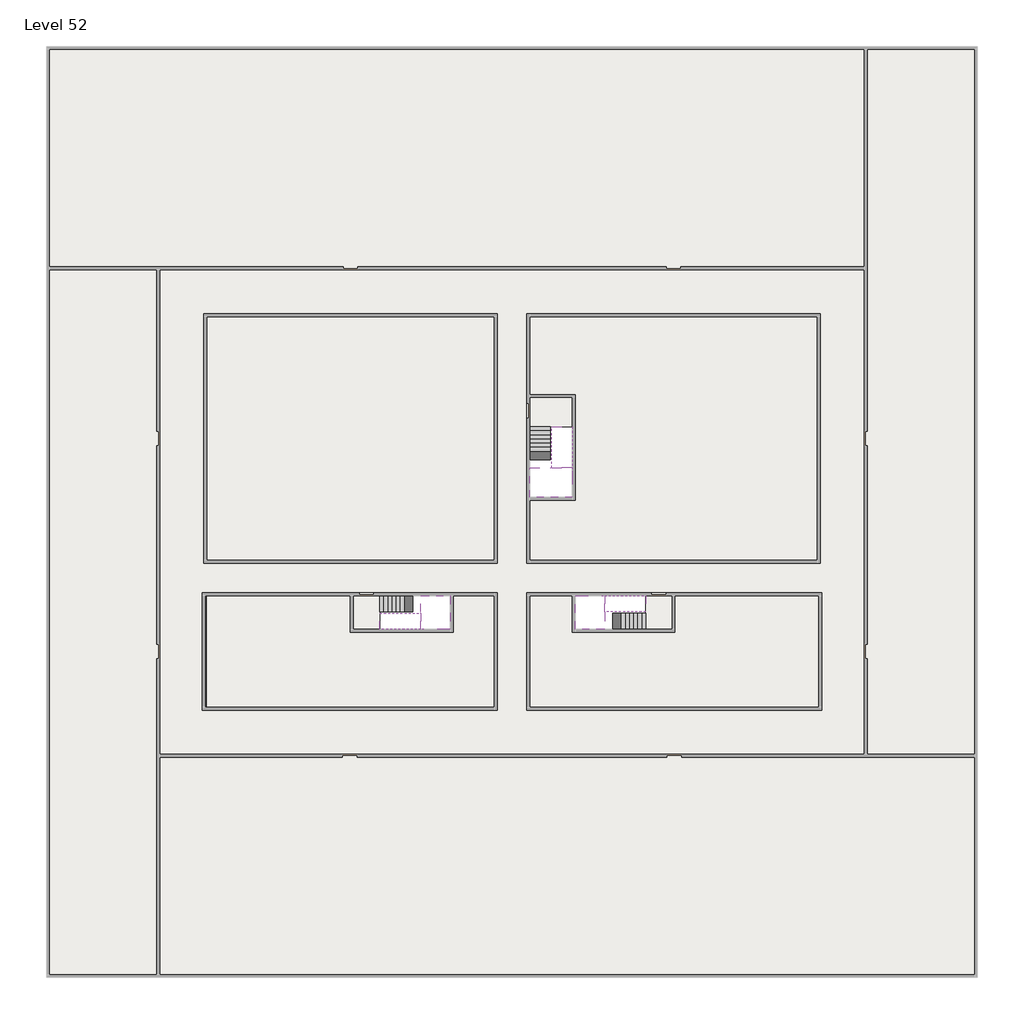
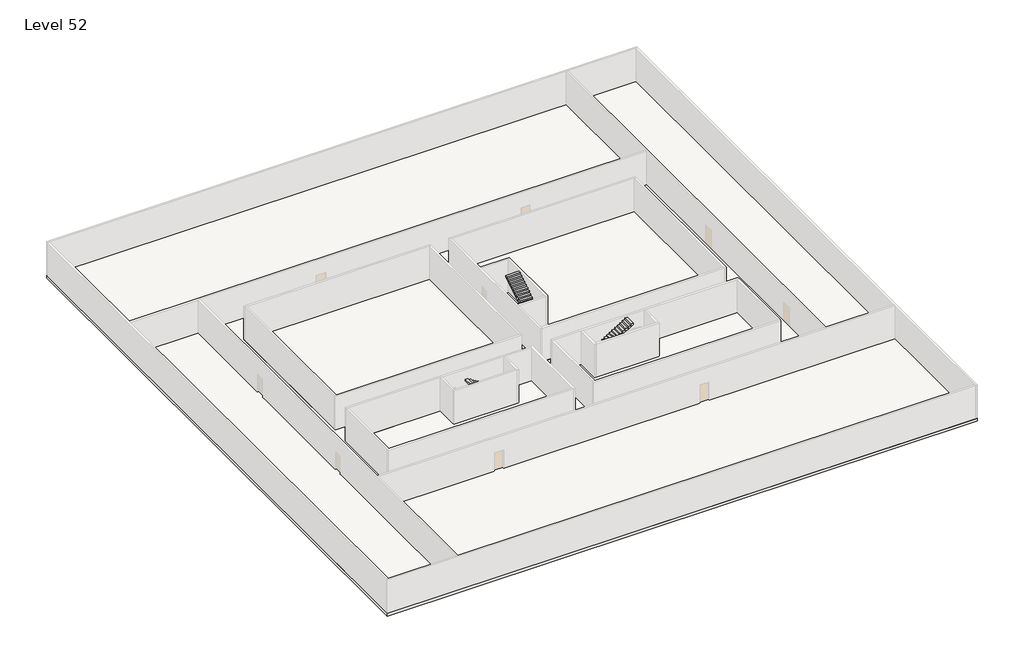
# One storey, part 2 of 2: 6 slabs, 6 stair flights.
"""IFC4 building model written with IfcOpenShell, lengths in millimetres."""

from ifc_helpers import new_model, si_unit, frame, origin, place, context, project, spatial, polyline, outline, extrude, faceted_brep, element, save

model = new_model("IFC4")

# Units and contexts
model_context = context("Model", 3, world=origin())
ifc_project = project(units=[si_unit("LENGTHUNIT", "METRE", prefix="MILLI")], contexts=[model_context])

# Site, building, storey
site = spatial("IfcSite", under=ifc_project)
building = spatial("IfcBuilding", under=site)
storey = spatial("IfcBuildingStorey", under=building, Name="Level 52", Elevation=193800.0)

# Slabs
placement = place(None, origin())
element("IfcSlab", 1, at=placement, inside=storey, context=model_context, shape_type="SweptSolid", body=[
    extrude(outline(polyline([(55890.1058784, -5518.09644), (55890.1058784, -68918.09644), (-7509.8941216, -68918.09644), (-7509.8941216, -5518.09644), (55890.1058784, -5518.09644)]), holes=[polyline([(23190.1058784, -23718.09644), (3190.1058784, -23718.09644), (3190.1058784, -40718.09644), (23190.1058784, -40718.09644), (23190.1058784, -23718.09644)]), polyline([(45190.1058784, -23718.09644), (25190.1058784, -23718.09644), (25190.1058784, -40718.09644), (45190.1058784, -40718.09644), (45190.1058784, -23718.09644)]), polyline([(23190.1058784, -50718.09644), (23190.1058784, -42718.09644), (3390.1058784, -42718.09644), (3390.1058784, -50718.09644), (23190.1058784, -50718.09644)]), polyline([(25190.1058784, -50718.09644), (45190.1058784, -50718.09644), (45190.1058784, -42718.09644), (25190.1058784, -42718.09644), (25190.1058784, -50718.09644)])]), frame((0.0, 0.0, 193500.0), z_axis=(0.0, 0.0, 1.0), x_axis=(1.0, 0.0, 0.0)), (0.0, 0.0, 1.0), 300.0),
])
element("IfcSlab", 2, at=placement, inside=storey, context=model_context, shape_type="Brep", body=[
    faceted_brep([(26790.1058784, -34218.09644, 195700.0), (25390.1058784, -34218.09644, 195700.0), (25390.1058784, -34297.4828763, 195700.0), (25390.1058784, -36218.09644, 195700.0), (28290.1058784, -36218.09644, 195700.0), (28290.1058784, -34418.7100038, 195700.0), (28290.1058784, -34218.09644, 195700.0), (26890.1058784, -34218.09644, 195700.0), (26790.1058784, -34218.09644, 195400.0), (26790.1058784, -34218.09644, 195351.0278478), (25390.1058784, -34218.09644, 195351.0278478), (25390.1058784, -34218.09644, 195527.2727273), (25390.1058784, -34297.4828763, 195400.0), (25390.1058784, -36218.09644, 195400.0), (28290.1058784, -36218.09644, 195400.0), (28290.1058784, -34418.7100038, 195400.0), (28290.1058784, -34218.09644, 195523.7551205), (26890.1058784, -34218.09644, 195523.7551205), (26890.1058784, -34218.09644, 195400.0), (26890.1058784, -34418.7100038, 195400.0), (26790.1058784, -34297.4828763, 195400.0)], [[[0, 1, 2, 3, 4, 5, 6, 7]], [[1, 0, 8, 9, 10, 11]], [[1, 11, 10, 12, 13, 3, 2]], [[4, 3, 13, 14]], [[4, 14, 15, 16, 6, 5]], [[7, 6, 16, 17]], [[0, 7, 17, 18, 8]], [[18, 19, 15, 14, 13, 12, 20, 8]], [[19, 18, 17]], [[20, 12, 10, 9]], [[8, 20, 9]], [[15, 19, 17, 16]]]),
])
element("IfcSlab", 3, at=placement, inside=storey, context=model_context, shape_type="SweptSolid", body=[
    extrude(outline(polyline([(22990.1058784, -23918.09644), (22990.1058784, -40518.09644), (3390.1058784, -40518.09644), (3390.1058784, -23918.09644), (22990.1058784, -23918.09644)])), frame((0.0, 0.0, 193500.0), z_axis=(0.0, 0.0, 1.0), x_axis=(1.0, 0.0, 0.0)), (0.0, 0.0, 1.0), 300.0),
    extrude(outline(polyline([(44990.1058784, -23918.09644), (44990.1058784, -40518.09644), (25390.1058784, -40518.09644), (25390.1058784, -36418.09644), (28490.1058784, -36418.09644), (28490.1058784, -29218.09644), (25390.1058784, -29218.09644), (25390.1058784, -23918.09644), (44990.1058784, -23918.09644)])), frame((0.0, 0.0, 193500.0), z_axis=(0.0, 0.0, 1.0), x_axis=(1.0, 0.0, 0.0)), (0.0, 0.0, 1.0), 300.0),
    extrude(outline(polyline([(22990.1058784, -42918.09644), (22990.1058784, -50518.09644), (3390.1058784, -50518.09644), (3390.1058784, -42918.09644), (13190.1058784, -42918.09644), (13190.1058784, -45418.09644), (20190.1058784, -45418.09644), (20190.1058784, -42918.09644), (22990.1058784, -42918.09644)])), frame((0.0, 0.0, 193500.0), z_axis=(0.0, 0.0, 1.0), x_axis=(1.0, 0.0, 0.0)), (0.0, 0.0, 1.0), 300.0),
    extrude(outline(polyline([(28290.1058784, -42918.09644), (28290.1058784, -45418.09644), (35290.1058784, -45418.09644), (35290.1058784, -42918.09644), (45090.1058784, -42918.09644), (45090.1058784, -50518.09644), (25390.1058784, -50518.09644), (25390.1058784, -42918.09644), (28290.1058784, -42918.09644)])), frame((0.0, 0.0, 193500.0), z_axis=(0.0, 0.0, 1.0), x_axis=(1.0, 0.0, 0.0)), (0.0, 0.0, 1.0), 300.0),
])
element("IfcSlab", 4, at=placement, inside=storey, context=model_context, shape_type="Brep", body=[
    faceted_brep([(30490.1058784, -45218.09644, 195700.0), (30490.1058784, -44118.09644, 195700.0), (30490.1058784, -44018.09644, 195700.0), (30490.1058784, -42918.09644, 195700.0), (30289.4923146, -42918.09644, 195700.0), (28490.1058784, -42918.09644, 195700.0), (28490.1058784, -45218.09644, 195700.0), (30410.7194421, -45218.09644, 195700.0), (30490.1058784, -45218.09644, 195527.2727273), (30490.1058784, -45218.09644, 195351.0278478), (30490.1058784, -44118.09644, 195351.0278478), (30490.1058784, -44118.09644, 195400.0), (30490.1058784, -44018.09644, 195400.0), (30490.1058784, -44018.09644, 195523.7551205), (30490.1058784, -42918.09644, 195523.7551205), (30289.4923146, -42918.09644, 195400.0), (28490.1058784, -42918.09644, 195400.0), (28490.1058784, -45218.09644, 195400.0), (30410.7194421, -45218.09644, 195400.0), (30289.4923146, -44018.09644, 195400.0), (30410.7194421, -44118.09644, 195400.0)], [[[0, 1, 2, 3, 4, 5, 6, 7]], [[1, 0, 8, 9, 10, 11]], [[2, 1, 11, 12, 13]], [[3, 2, 13, 14]], [[3, 14, 15, 16, 5, 4]], [[6, 5, 16, 17]], [[9, 8, 0, 7, 6, 17, 18]], [[19, 12, 11, 20, 18, 17, 16, 15]], [[12, 19, 13]], [[18, 20, 10, 9]], [[20, 11, 10]], [[19, 15, 14, 13]]]),
])
element("IfcSlab", 5, at=placement, inside=storey, context=model_context, shape_type="Brep", body=[
    faceted_brep([(17990.1058784, -42918.09644, 195700.0), (17990.1058784, -44018.09644, 195700.0), (17990.1058784, -44118.09644, 195700.0), (17990.1058784, -45218.09644, 195700.0), (18190.7194421, -45218.09644, 195700.0), (19990.1058784, -45218.09644, 195700.0), (19990.1058784, -42918.09644, 195700.0), (18069.4923146, -42918.09644, 195700.0), (17990.1058784, -42918.09644, 195527.2727273), (17990.1058784, -42918.09644, 195351.0278478), (17990.1058784, -44018.09644, 195351.0278478), (17990.1058784, -44018.09644, 195400.0), (17990.1058784, -44118.09644, 195400.0), (17990.1058784, -44118.09644, 195523.7551205), (17990.1058784, -45218.09644, 195523.7551205), (18190.7194421, -45218.09644, 195400.0), (19990.1058784, -45218.09644, 195400.0), (19990.1058784, -42918.09644, 195400.0), (18069.4923146, -42918.09644, 195400.0), (18190.7194421, -44118.09644, 195400.0), (18069.4923146, -44018.09644, 195400.0)], [[[0, 1, 2, 3, 4, 5, 6, 7]], [[1, 0, 8, 9, 10, 11]], [[2, 1, 11, 12, 13]], [[3, 2, 13, 14]], [[3, 14, 15, 16, 5, 4]], [[6, 5, 16, 17]], [[9, 8, 0, 7, 6, 17, 18]], [[19, 12, 11, 20, 18, 17, 16, 15]], [[12, 19, 13]], [[18, 20, 10, 9]], [[20, 11, 10]], [[19, 15, 14, 13]]]),
])
element("IfcSlab", 6, at=placement, inside=storey, context=model_context, shape_type="SweptSolid", body=[
    extrude(outline(polyline([(25190.1058784, -29418.09644), (28290.1058784, -29418.09644), (28290.1058784, -31418.09644), (25190.1058784, -31418.09644), (25190.1058784, -29418.09644)])), frame((0.0, 0.0, 193500.0), z_axis=(0.0, 0.0, 1.0), x_axis=(1.0, 0.0, 0.0)), (0.0, 0.0, 1.0), 300.0),
    extrude(outline(polyline([(15190.1058784, -45218.09644), (13390.1058784, -45218.09644), (13390.1058784, -42718.09644), (15190.1058784, -42718.09644), (15190.1058784, -45218.09644)])), frame((0.0, 0.0, 193500.0), z_axis=(0.0, 0.0, 1.0), x_axis=(1.0, 0.0, 0.0)), (0.0, 0.0, 1.0), 300.0),
    extrude(outline(polyline([(35090.1058784, -45218.09644), (33290.1058784, -45218.09644), (33290.1058784, -42718.09644), (35090.1058784, -42718.09644), (35090.1058784, -45218.09644)])), frame((0.0, 0.0, 193500.0), z_axis=(0.0, 0.0, 1.0), x_axis=(1.0, 0.0, 0.0)), (0.0, 0.0, 1.0), 300.0),
])

# Stair flights
element("IfcStairFlight", 7, at=placement, inside=storey, context=model_context, shape_type="Brep", body=[
    faceted_brep([(26790.1058784, -31698.09644, 193972.7272727), (26790.1058784, -31418.09644, 193972.7272727), (25390.1058784, -31418.09644, 193972.7272727), (25390.1058784, -31698.09644, 193972.7272727), (26790.1058784, -31698.09644, 193800.0), (26790.1058784, -31418.09644, 193800.0), (25390.1058784, -31418.09644, 193800.0), (25390.1058784, -31698.09644, 193800.0), (26790.1058784, -31978.09644, 194145.4545455), (26790.1058784, -31698.09644, 194145.4545455), (25390.1058784, -31698.09644, 194145.4545455), (25390.1058784, -31978.09644, 194145.4545455), (26790.1058784, -31978.09644, 193969.209666), (26790.1058784, -31703.7986657, 193800.0), (25390.1058784, -31703.7986657, 193800.0), (25390.1058784, -31978.09644, 193969.209666), (26790.1058784, -32258.09644, 194318.1818182), (26790.1058784, -31978.09644, 194318.1818182), (25390.1058784, -31978.09644, 194318.1818182), (25390.1058784, -32258.09644, 194318.1818182), (26790.1058784, -32258.09644, 194141.9369387), (25390.1058784, -32258.09644, 194141.9369387), (26790.1058784, -32538.09644, 194490.9090909), (26790.1058784, -32258.09644, 194490.9090909), (25390.1058784, -32258.09644, 194490.9090909), (25390.1058784, -32538.09644, 194490.9090909), (26790.1058784, -32538.09644, 194314.6642114), (25390.1058784, -32538.09644, 194314.6642114), (26790.1058784, -32818.09644, 194663.6363636), (26790.1058784, -32538.09644, 194663.6363636), (25390.1058784, -32538.09644, 194663.6363636), (25390.1058784, -32818.09644, 194663.6363636), (26790.1058784, -32818.09644, 194487.3914841), (25390.1058784, -32818.09644, 194487.3914841), (26790.1058784, -33098.09644, 194836.3636364), (26790.1058784, -32818.09644, 194836.3636364), (25390.1058784, -32818.09644, 194836.3636364), (25390.1058784, -33098.09644, 194836.3636364), (26790.1058784, -33098.09644, 194660.1187569), (25390.1058784, -33098.09644, 194660.1187569), (26790.1058784, -33378.09644, 195009.0909091), (26790.1058784, -33098.09644, 195009.0909091), (25390.1058784, -33098.09644, 195009.0909091), (25390.1058784, -33378.09644, 195009.0909091), (26790.1058784, -33378.09644, 194832.8460296), (25390.1058784, -33378.09644, 194832.8460296), (26790.1058784, -33658.09644, 195181.8181818), (26790.1058784, -33378.09644, 195181.8181818), (25390.1058784, -33378.09644, 195181.8181818), (25390.1058784, -33658.09644, 195181.8181818), (26790.1058784, -33658.09644, 195005.5733023), (25390.1058784, -33658.09644, 195005.5733023), (26790.1058784, -33938.09644, 195354.5454545), (26790.1058784, -33658.09644, 195354.5454545), (25390.1058784, -33658.09644, 195354.5454545), (25390.1058784, -33938.09644, 195354.5454545), (26790.1058784, -33938.09644, 195178.3005751), (25390.1058784, -33938.09644, 195178.3005751), (26790.1058784, -34218.09644, 195527.2727273), (26790.1058784, -33938.09644, 195527.2727273), (25390.1058784, -33938.09644, 195527.2727273), (25390.1058784, -34218.09644, 195527.2727273), (26790.1058784, -34218.09644, 195400.0), (26790.1058784, -34218.09644, 195351.0278478), (25390.1058784, -34218.09644, 195351.0278478)], [[[0, 1, 2, 3]], [[1, 0, 4, 5]], [[2, 1, 5, 6]], [[3, 2, 6, 7]], [[8, 9, 10, 11]], [[4, 0, 9, 8, 12, 13]], [[0, 3, 10, 9]], [[3, 7, 14, 15, 11, 10]], [[16, 17, 18, 19]], [[17, 16, 20, 12, 8]], [[8, 11, 18, 17]], [[19, 18, 11, 15, 21]], [[22, 23, 24, 25]], [[23, 22, 26, 20, 16]], [[16, 19, 24, 23]], [[25, 24, 19, 21, 27]], [[28, 29, 30, 31]], [[29, 28, 32, 26, 22]], [[22, 25, 30, 29]], [[31, 30, 25, 27, 33]], [[34, 35, 36, 37]], [[35, 34, 38, 32, 28]], [[28, 31, 36, 35]], [[37, 36, 31, 33, 39]], [[40, 41, 42, 43]], [[41, 40, 44, 38, 34]], [[34, 37, 42, 41]], [[43, 42, 37, 39, 45]], [[46, 47, 48, 49]], [[47, 46, 50, 44, 40]], [[40, 43, 48, 47]], [[49, 48, 43, 45, 51]], [[52, 53, 54, 55]], [[53, 52, 56, 50, 46]], [[46, 49, 54, 53]], [[55, 54, 49, 51, 57]], [[58, 59, 60, 61]], [[59, 58, 62, 63, 56, 52]], [[52, 55, 60, 59]], [[61, 60, 55, 57, 64]], [[58, 61, 64, 63, 62]], [[5, 4, 13, 14, 7, 6]], [[14, 13, 12, 20, 26, 32, 38, 44, 50, 56, 63, 64, 57, 51, 45, 39, 33, 27, 21, 15]]]),
])
element("IfcStairFlight", 8, at=placement, inside=storey, context=model_context, shape_type="Brep", body=[
    faceted_brep([(26890.1058784, -33938.09644, 195872.7272727), (26890.1058784, -34218.09644, 195872.7272727), (28290.1058784, -34218.09644, 195872.7272727), (28290.1058784, -33938.09644, 195872.7272727), (26890.1058784, -33938.09644, 195696.4823932), (26890.1058784, -34218.09644, 195523.7551205), (28290.1058784, -34218.09644, 195523.7551205), (28290.1058784, -34218.09644, 195700.0), (28290.1058784, -33938.09644, 195696.4823932), (26890.1058784, -33658.09644, 196045.4545455), (26890.1058784, -33938.09644, 196045.4545455), (28290.1058784, -33938.09644, 196045.4545455), (28290.1058784, -33658.09644, 196045.4545455), (26890.1058784, -33658.09644, 195869.209666), (28290.1058784, -33658.09644, 195869.209666), (26890.1058784, -33378.09644, 196218.1818182), (26890.1058784, -33658.09644, 196218.1818182), (28290.1058784, -33658.09644, 196218.1818182), (28290.1058784, -33378.09644, 196218.1818182), (26890.1058784, -33378.09644, 196041.9369387), (28290.1058784, -33378.09644, 196041.9369387), (26890.1058784, -33098.09644, 196390.9090909), (26890.1058784, -33378.09644, 196390.9090909), (28290.1058784, -33378.09644, 196390.9090909), (28290.1058784, -33098.09644, 196390.9090909), (26890.1058784, -33098.09644, 196214.6642114), (28290.1058784, -33098.09644, 196214.6642114), (26890.1058784, -32818.09644, 196563.6363636), (26890.1058784, -33098.09644, 196563.6363636), (28290.1058784, -33098.09644, 196563.6363636), (28290.1058784, -32818.09644, 196563.6363636), (26890.1058784, -32818.09644, 196387.3914841), (28290.1058784, -32818.09644, 196387.3914841), (26890.1058784, -32538.09644, 196736.3636364), (26890.1058784, -32818.09644, 196736.3636364), (28290.1058784, -32818.09644, 196736.3636364), (28290.1058784, -32538.09644, 196736.3636364), (26890.1058784, -32538.09644, 196560.1187569), (28290.1058784, -32538.09644, 196560.1187569), (26890.1058784, -32258.09644, 196909.0909091), (26890.1058784, -32538.09644, 196909.0909091), (28290.1058784, -32538.09644, 196909.0909091), (28290.1058784, -32258.09644, 196909.0909091), (26890.1058784, -32258.09644, 196732.8460296), (28290.1058784, -32258.09644, 196732.8460296), (26890.1058784, -31978.09644, 197081.8181818), (26890.1058784, -32258.09644, 197081.8181818), (28290.1058784, -32258.09644, 197081.8181818), (28290.1058784, -31978.09644, 197081.8181818), (26890.1058784, -31978.09644, 196905.5733023), (28290.1058784, -31978.09644, 196905.5733023), (26890.1058784, -31698.09644, 197254.5454545), (26890.1058784, -31978.09644, 197254.5454545), (28290.1058784, -31978.09644, 197254.5454545), (28290.1058784, -31698.09644, 197254.5454545), (26890.1058784, -31698.09644, 197078.3005751), (28290.1058784, -31698.09644, 197078.3005751), (26890.1058784, -31418.09644, 197427.2727273), (26890.1058784, -31698.09644, 197427.2727273), (28290.1058784, -31698.09644, 197427.2727273), (28290.1058784, -31418.09644, 197427.2727273), (26890.1058784, -31418.09644, 197251.0278478), (28290.1058784, -31418.09644, 197251.0278478)], [[[0, 1, 2, 3]], [[1, 0, 4, 5]], [[2, 1, 5, 6, 7]], [[3, 2, 7, 6, 8]], [[9, 10, 11, 12]], [[10, 9, 13, 4, 0]], [[11, 10, 0, 3]], [[12, 11, 3, 8, 14]], [[15, 16, 17, 18]], [[16, 15, 19, 13, 9]], [[17, 16, 9, 12]], [[18, 17, 12, 14, 20]], [[21, 22, 23, 24]], [[22, 21, 25, 19, 15]], [[23, 22, 15, 18]], [[24, 23, 18, 20, 26]], [[27, 28, 29, 30]], [[28, 27, 31, 25, 21]], [[29, 28, 21, 24]], [[30, 29, 24, 26, 32]], [[33, 34, 35, 36]], [[34, 33, 37, 31, 27]], [[35, 34, 27, 30]], [[36, 35, 30, 32, 38]], [[39, 40, 41, 42]], [[40, 39, 43, 37, 33]], [[41, 40, 33, 36]], [[42, 41, 36, 38, 44]], [[45, 46, 47, 48]], [[46, 45, 49, 43, 39]], [[47, 46, 39, 42]], [[48, 47, 42, 44, 50]], [[51, 52, 53, 54]], [[52, 51, 55, 49, 45]], [[53, 52, 45, 48]], [[54, 53, 48, 50, 56]], [[57, 58, 59, 60]], [[58, 57, 61, 55, 51]], [[59, 58, 51, 54]], [[60, 59, 54, 56, 62]], [[57, 60, 62, 61]], [[5, 4, 13, 19, 25, 31, 37, 43, 49, 55, 61, 62, 56, 50, 44, 38, 32, 26, 20, 14, 8, 6]]]),
])
element("IfcStairFlight", 9, at=placement, inside=storey, context=model_context, shape_type="Brep", body=[
    faceted_brep([(33010.1058784, -45218.09644, 193972.7272727), (33290.1058784, -45218.09644, 193972.7272727), (33290.1058784, -44118.09644, 193972.7272727), (33010.1058784, -44118.09644, 193972.7272727), (33010.1058784, -45218.09644, 193800.0), (33290.1058784, -45218.09644, 193800.0), (33290.1058784, -44118.09644, 193800.0), (33010.1058784, -44118.09644, 193800.0), (32730.1058784, -45218.09644, 194145.4545455), (33010.1058784, -45218.09644, 194145.4545455), (33010.1058784, -44118.09644, 194145.4545455), (32730.1058784, -44118.09644, 194145.4545455), (32730.1058784, -45218.09644, 193969.209666), (33004.4036527, -45218.09644, 193800.0), (33004.4036527, -44118.09644, 193800.0), (32730.1058784, -44118.09644, 193969.209666), (32450.1058784, -45218.09644, 194318.1818182), (32730.1058784, -45218.09644, 194318.1818182), (32730.1058784, -44118.09644, 194318.1818182), (32450.1058784, -44118.09644, 194318.1818182), (32450.1058784, -45218.09644, 194141.9369387), (32450.1058784, -44118.09644, 194141.9369387), (32170.1058784, -45218.09644, 194490.9090909), (32450.1058784, -45218.09644, 194490.9090909), (32450.1058784, -44118.09644, 194490.9090909), (32170.1058784, -44118.09644, 194490.9090909), (32170.1058784, -45218.09644, 194314.6642114), (32170.1058784, -44118.09644, 194314.6642114), (31890.1058784, -45218.09644, 194663.6363636), (32170.1058784, -45218.09644, 194663.6363636), (32170.1058784, -44118.09644, 194663.6363636), (31890.1058784, -44118.09644, 194663.6363636), (31890.1058784, -45218.09644, 194487.3914841), (31890.1058784, -44118.09644, 194487.3914841), (31610.1058784, -45218.09644, 194836.3636364), (31890.1058784, -45218.09644, 194836.3636364), (31890.1058784, -44118.09644, 194836.3636364), (31610.1058784, -44118.09644, 194836.3636364), (31610.1058784, -45218.09644, 194660.1187569), (31610.1058784, -44118.09644, 194660.1187569), (31330.1058784, -45218.09644, 195009.0909091), (31610.1058784, -45218.09644, 195009.0909091), (31610.1058784, -44118.09644, 195009.0909091), (31330.1058784, -44118.09644, 195009.0909091), (31330.1058784, -45218.09644, 194832.8460296), (31330.1058784, -44118.09644, 194832.8460296), (31050.1058784, -45218.09644, 195181.8181818), (31330.1058784, -45218.09644, 195181.8181818), (31330.1058784, -44118.09644, 195181.8181818), (31050.1058784, -44118.09644, 195181.8181818), (31050.1058784, -45218.09644, 195005.5733023), (31050.1058784, -44118.09644, 195005.5733023), (30770.1058784, -45218.09644, 195354.5454545), (31050.1058784, -45218.09644, 195354.5454545), (31050.1058784, -44118.09644, 195354.5454545), (30770.1058784, -44118.09644, 195354.5454545), (30770.1058784, -45218.09644, 195178.3005751), (30770.1058784, -44118.09644, 195178.3005751), (30490.1058784, -45218.09644, 195527.2727273), (30770.1058784, -45218.09644, 195527.2727273), (30770.1058784, -44118.09644, 195527.2727273), (30490.1058784, -44118.09644, 195527.2727273), (30490.1058784, -45218.09644, 195351.0278478), (30490.1058784, -44118.09644, 195351.0278478), (30490.1058784, -44118.09644, 195400.0)], [[[0, 1, 2, 3]], [[1, 0, 4, 5]], [[2, 1, 5, 6]], [[3, 2, 6, 7]], [[8, 9, 10, 11]], [[4, 0, 9, 8, 12, 13]], [[0, 3, 10, 9]], [[3, 7, 14, 15, 11, 10]], [[16, 17, 18, 19]], [[17, 16, 20, 12, 8]], [[8, 11, 18, 17]], [[19, 18, 11, 15, 21]], [[22, 23, 24, 25]], [[23, 22, 26, 20, 16]], [[16, 19, 24, 23]], [[25, 24, 19, 21, 27]], [[28, 29, 30, 31]], [[29, 28, 32, 26, 22]], [[22, 25, 30, 29]], [[31, 30, 25, 27, 33]], [[34, 35, 36, 37]], [[35, 34, 38, 32, 28]], [[28, 31, 36, 35]], [[37, 36, 31, 33, 39]], [[40, 41, 42, 43]], [[41, 40, 44, 38, 34]], [[34, 37, 42, 41]], [[43, 42, 37, 39, 45]], [[46, 47, 48, 49]], [[47, 46, 50, 44, 40]], [[40, 43, 48, 47]], [[49, 48, 43, 45, 51]], [[52, 53, 54, 55]], [[53, 52, 56, 50, 46]], [[46, 49, 54, 53]], [[55, 54, 49, 51, 57]], [[58, 59, 60, 61]], [[59, 58, 62, 56, 52]], [[52, 55, 60, 59]], [[61, 60, 55, 57, 63, 64]], [[58, 61, 64, 63, 62]], [[5, 4, 13, 14, 7, 6]], [[14, 13, 12, 20, 26, 32, 38, 44, 50, 56, 62, 63, 57, 51, 45, 39, 33, 27, 21, 15]]]),
])
element("IfcStairFlight", 10, at=placement, inside=storey, context=model_context, shape_type="Brep", body=[
    faceted_brep([(30770.1058784, -42918.09644, 195872.7272727), (30490.1058784, -42918.09644, 195872.7272727), (30490.1058784, -44018.09644, 195872.7272727), (30770.1058784, -44018.09644, 195872.7272727), (30770.1058784, -42918.09644, 195696.4823932), (30490.1058784, -42918.09644, 195523.7551205), (30490.1058784, -42918.09644, 195700.0), (30490.1058784, -44018.09644, 195523.7551205), (30770.1058784, -44018.09644, 195696.4823932), (31050.1058784, -42918.09644, 196045.4545455), (30770.1058784, -42918.09644, 196045.4545455), (30770.1058784, -44018.09644, 196045.4545455), (31050.1058784, -44018.09644, 196045.4545455), (31050.1058784, -42918.09644, 195869.209666), (31050.1058784, -44018.09644, 195869.209666), (31330.1058784, -42918.09644, 196218.1818182), (31050.1058784, -42918.09644, 196218.1818182), (31050.1058784, -44018.09644, 196218.1818182), (31330.1058784, -44018.09644, 196218.1818182), (31330.1058784, -42918.09644, 196041.9369387), (31330.1058784, -44018.09644, 196041.9369387), (31610.1058784, -42918.09644, 196390.9090909), (31330.1058784, -42918.09644, 196390.9090909), (31330.1058784, -44018.09644, 196390.9090909), (31610.1058784, -44018.09644, 196390.9090909), (31610.1058784, -42918.09644, 196214.6642114), (31610.1058784, -44018.09644, 196214.6642114), (31890.1058784, -42918.09644, 196563.6363636), (31610.1058784, -42918.09644, 196563.6363636), (31610.1058784, -44018.09644, 196563.6363636), (31890.1058784, -44018.09644, 196563.6363636), (31890.1058784, -42918.09644, 196387.3914841), (31890.1058784, -44018.09644, 196387.3914841), (32170.1058784, -42918.09644, 196736.3636364), (31890.1058784, -42918.09644, 196736.3636364), (31890.1058784, -44018.09644, 196736.3636364), (32170.1058784, -44018.09644, 196736.3636364), (32170.1058784, -42918.09644, 196560.1187569), (32170.1058784, -44018.09644, 196560.1187569), (32450.1058784, -42918.09644, 196909.0909091), (32170.1058784, -42918.09644, 196909.0909091), (32170.1058784, -44018.09644, 196909.0909091), (32450.1058784, -44018.09644, 196909.0909091), (32450.1058784, -42918.09644, 196732.8460296), (32450.1058784, -44018.09644, 196732.8460296), (32730.1058784, -42918.09644, 197081.8181818), (32450.1058784, -42918.09644, 197081.8181818), (32450.1058784, -44018.09644, 197081.8181818), (32730.1058784, -44018.09644, 197081.8181818), (32730.1058784, -42918.09644, 196905.5733023), (32730.1058784, -44018.09644, 196905.5733023), (33010.1058784, -42918.09644, 197254.5454545), (32730.1058784, -42918.09644, 197254.5454545), (32730.1058784, -44018.09644, 197254.5454545), (33010.1058784, -44018.09644, 197254.5454545), (33010.1058784, -42918.09644, 197078.3005751), (33010.1058784, -44018.09644, 197078.3005751), (33290.1058784, -42918.09644, 197427.2727273), (33010.1058784, -42918.09644, 197427.2727273), (33010.1058784, -44018.09644, 197427.2727273), (33290.1058784, -44018.09644, 197427.2727273), (33290.1058784, -42918.09644, 197251.0278478), (33290.1058784, -44018.09644, 197251.0278478)], [[[0, 1, 2, 3]], [[1, 0, 4, 5, 6]], [[2, 1, 6, 5, 7]], [[3, 2, 7, 8]], [[9, 10, 11, 12]], [[10, 9, 13, 4, 0]], [[11, 10, 0, 3]], [[12, 11, 3, 8, 14]], [[15, 16, 17, 18]], [[16, 15, 19, 13, 9]], [[17, 16, 9, 12]], [[18, 17, 12, 14, 20]], [[21, 22, 23, 24]], [[22, 21, 25, 19, 15]], [[23, 22, 15, 18]], [[24, 23, 18, 20, 26]], [[27, 28, 29, 30]], [[28, 27, 31, 25, 21]], [[29, 28, 21, 24]], [[30, 29, 24, 26, 32]], [[33, 34, 35, 36]], [[34, 33, 37, 31, 27]], [[35, 34, 27, 30]], [[36, 35, 30, 32, 38]], [[39, 40, 41, 42]], [[40, 39, 43, 37, 33]], [[41, 40, 33, 36]], [[42, 41, 36, 38, 44]], [[45, 46, 47, 48]], [[46, 45, 49, 43, 39]], [[47, 46, 39, 42]], [[48, 47, 42, 44, 50]], [[51, 52, 53, 54]], [[52, 51, 55, 49, 45]], [[53, 52, 45, 48]], [[54, 53, 48, 50, 56]], [[57, 58, 59, 60]], [[58, 57, 61, 55, 51]], [[59, 58, 51, 54]], [[60, 59, 54, 56, 62]], [[57, 60, 62, 61]], [[5, 4, 13, 19, 25, 31, 37, 43, 49, 55, 61, 62, 56, 50, 44, 38, 32, 26, 20, 14, 8, 7]]]),
])
element("IfcStairFlight", 11, at=placement, inside=storey, context=model_context, shape_type="Brep", body=[
    faceted_brep([(15470.1058784, -42918.09644, 193972.7272727), (15190.1058784, -42918.09644, 193972.7272727), (15190.1058784, -44018.09644, 193972.7272727), (15470.1058784, -44018.09644, 193972.7272727), (15470.1058784, -42918.09644, 193800.0), (15190.1058784, -42918.09644, 193800.0), (15190.1058784, -44018.09644, 193800.0), (15470.1058784, -44018.09644, 193800.0), (15750.1058784, -42918.09644, 194145.4545455), (15470.1058784, -42918.09644, 194145.4545455), (15470.1058784, -44018.09644, 194145.4545455), (15750.1058784, -44018.09644, 194145.4545455), (15750.1058784, -42918.09644, 193969.209666), (15475.8081041, -42918.09644, 193800.0), (15475.8081041, -44018.09644, 193800.0), (15750.1058784, -44018.09644, 193969.209666), (16030.1058784, -42918.09644, 194318.1818182), (15750.1058784, -42918.09644, 194318.1818182), (15750.1058784, -44018.09644, 194318.1818182), (16030.1058784, -44018.09644, 194318.1818182), (16030.1058784, -42918.09644, 194141.9369387), (16030.1058784, -44018.09644, 194141.9369387), (16310.1058784, -42918.09644, 194490.9090909), (16030.1058784, -42918.09644, 194490.9090909), (16030.1058784, -44018.09644, 194490.9090909), (16310.1058784, -44018.09644, 194490.9090909), (16310.1058784, -42918.09644, 194314.6642114), (16310.1058784, -44018.09644, 194314.6642114), (16590.1058784, -42918.09644, 194663.6363636), (16310.1058784, -42918.09644, 194663.6363636), (16310.1058784, -44018.09644, 194663.6363636), (16590.1058784, -44018.09644, 194663.6363636), (16590.1058784, -42918.09644, 194487.3914841), (16590.1058784, -44018.09644, 194487.3914841), (16870.1058784, -42918.09644, 194836.3636364), (16590.1058784, -42918.09644, 194836.3636364), (16590.1058784, -44018.09644, 194836.3636364), (16870.1058784, -44018.09644, 194836.3636364), (16870.1058784, -42918.09644, 194660.1187569), (16870.1058784, -44018.09644, 194660.1187569), (17150.1058784, -42918.09644, 195009.0909091), (16870.1058784, -42918.09644, 195009.0909091), (16870.1058784, -44018.09644, 195009.0909091), (17150.1058784, -44018.09644, 195009.0909091), (17150.1058784, -42918.09644, 194832.8460296), (17150.1058784, -44018.09644, 194832.8460296), (17430.1058784, -42918.09644, 195181.8181818), (17150.1058784, -42918.09644, 195181.8181818), (17150.1058784, -44018.09644, 195181.8181818), (17430.1058784, -44018.09644, 195181.8181818), (17430.1058784, -42918.09644, 195005.5733023), (17430.1058784, -44018.09644, 195005.5733023), (17710.1058784, -42918.09644, 195354.5454545), (17430.1058784, -42918.09644, 195354.5454545), (17430.1058784, -44018.09644, 195354.5454545), (17710.1058784, -44018.09644, 195354.5454545), (17710.1058784, -42918.09644, 195178.3005751), (17710.1058784, -44018.09644, 195178.3005751), (17990.1058784, -42918.09644, 195527.2727273), (17710.1058784, -42918.09644, 195527.2727273), (17710.1058784, -44018.09644, 195527.2727273), (17990.1058784, -44018.09644, 195527.2727273), (17990.1058784, -42918.09644, 195351.0278478), (17990.1058784, -44018.09644, 195351.0278478), (17990.1058784, -44018.09644, 195400.0)], [[[0, 1, 2, 3]], [[1, 0, 4, 5]], [[2, 1, 5, 6]], [[3, 2, 6, 7]], [[8, 9, 10, 11]], [[4, 0, 9, 8, 12, 13]], [[0, 3, 10, 9]], [[3, 7, 14, 15, 11, 10]], [[16, 17, 18, 19]], [[17, 16, 20, 12, 8]], [[8, 11, 18, 17]], [[19, 18, 11, 15, 21]], [[22, 23, 24, 25]], [[23, 22, 26, 20, 16]], [[16, 19, 24, 23]], [[25, 24, 19, 21, 27]], [[28, 29, 30, 31]], [[29, 28, 32, 26, 22]], [[22, 25, 30, 29]], [[31, 30, 25, 27, 33]], [[34, 35, 36, 37]], [[35, 34, 38, 32, 28]], [[28, 31, 36, 35]], [[37, 36, 31, 33, 39]], [[40, 41, 42, 43]], [[41, 40, 44, 38, 34]], [[34, 37, 42, 41]], [[43, 42, 37, 39, 45]], [[46, 47, 48, 49]], [[47, 46, 50, 44, 40]], [[40, 43, 48, 47]], [[49, 48, 43, 45, 51]], [[52, 53, 54, 55]], [[53, 52, 56, 50, 46]], [[46, 49, 54, 53]], [[55, 54, 49, 51, 57]], [[58, 59, 60, 61]], [[59, 58, 62, 56, 52]], [[52, 55, 60, 59]], [[61, 60, 55, 57, 63, 64]], [[58, 61, 64, 63, 62]], [[5, 4, 13, 14, 7, 6]], [[14, 13, 12, 20, 26, 32, 38, 44, 50, 56, 62, 63, 57, 51, 45, 39, 33, 27, 21, 15]]]),
])
element("IfcStairFlight", 12, at=placement, inside=storey, context=model_context, shape_type="Brep", body=[
    faceted_brep([(17710.1058784, -45218.09644, 195872.7272727), (17990.1058784, -45218.09644, 195872.7272727), (17990.1058784, -44118.09644, 195872.7272727), (17710.1058784, -44118.09644, 195872.7272727), (17710.1058784, -45218.09644, 195696.4823932), (17990.1058784, -45218.09644, 195523.7551205), (17990.1058784, -45218.09644, 195700.0), (17990.1058784, -44118.09644, 195523.7551205), (17710.1058784, -44118.09644, 195696.4823932), (17430.1058784, -45218.09644, 196045.4545455), (17710.1058784, -45218.09644, 196045.4545455), (17710.1058784, -44118.09644, 196045.4545455), (17430.1058784, -44118.09644, 196045.4545455), (17430.1058784, -45218.09644, 195869.209666), (17430.1058784, -44118.09644, 195869.209666), (17150.1058784, -45218.09644, 196218.1818182), (17430.1058784, -45218.09644, 196218.1818182), (17430.1058784, -44118.09644, 196218.1818182), (17150.1058784, -44118.09644, 196218.1818182), (17150.1058784, -45218.09644, 196041.9369387), (17150.1058784, -44118.09644, 196041.9369387), (16870.1058784, -45218.09644, 196390.9090909), (17150.1058784, -45218.09644, 196390.9090909), (17150.1058784, -44118.09644, 196390.9090909), (16870.1058784, -44118.09644, 196390.9090909), (16870.1058784, -45218.09644, 196214.6642114), (16870.1058784, -44118.09644, 196214.6642114), (16590.1058784, -45218.09644, 196563.6363636), (16870.1058784, -45218.09644, 196563.6363636), (16870.1058784, -44118.09644, 196563.6363636), (16590.1058784, -44118.09644, 196563.6363636), (16590.1058784, -45218.09644, 196387.3914841), (16590.1058784, -44118.09644, 196387.3914841), (16310.1058784, -45218.09644, 196736.3636364), (16590.1058784, -45218.09644, 196736.3636364), (16590.1058784, -44118.09644, 196736.3636364), (16310.1058784, -44118.09644, 196736.3636364), (16310.1058784, -45218.09644, 196560.1187569), (16310.1058784, -44118.09644, 196560.1187569), (16030.1058784, -45218.09644, 196909.0909091), (16310.1058784, -45218.09644, 196909.0909091), (16310.1058784, -44118.09644, 196909.0909091), (16030.1058784, -44118.09644, 196909.0909091), (16030.1058784, -45218.09644, 196732.8460296), (16030.1058784, -44118.09644, 196732.8460296), (15750.1058784, -45218.09644, 197081.8181818), (16030.1058784, -45218.09644, 197081.8181818), (16030.1058784, -44118.09644, 197081.8181818), (15750.1058784, -44118.09644, 197081.8181818), (15750.1058784, -45218.09644, 196905.5733023), (15750.1058784, -44118.09644, 196905.5733023), (15470.1058784, -45218.09644, 197254.5454545), (15750.1058784, -45218.09644, 197254.5454545), (15750.1058784, -44118.09644, 197254.5454545), (15470.1058784, -44118.09644, 197254.5454545), (15470.1058784, -45218.09644, 197078.3005751), (15470.1058784, -44118.09644, 197078.3005751), (15190.1058784, -45218.09644, 197427.2727273), (15470.1058784, -45218.09644, 197427.2727273), (15470.1058784, -44118.09644, 197427.2727273), (15190.1058784, -44118.09644, 197427.2727273), (15190.1058784, -45218.09644, 197251.0278478), (15190.1058784, -44118.09644, 197251.0278478)], [[[0, 1, 2, 3]], [[1, 0, 4, 5, 6]], [[2, 1, 6, 5, 7]], [[3, 2, 7, 8]], [[9, 10, 11, 12]], [[10, 9, 13, 4, 0]], [[11, 10, 0, 3]], [[12, 11, 3, 8, 14]], [[15, 16, 17, 18]], [[16, 15, 19, 13, 9]], [[17, 16, 9, 12]], [[18, 17, 12, 14, 20]], [[21, 22, 23, 24]], [[22, 21, 25, 19, 15]], [[23, 22, 15, 18]], [[24, 23, 18, 20, 26]], [[27, 28, 29, 30]], [[28, 27, 31, 25, 21]], [[29, 28, 21, 24]], [[30, 29, 24, 26, 32]], [[33, 34, 35, 36]], [[34, 33, 37, 31, 27]], [[35, 34, 27, 30]], [[36, 35, 30, 32, 38]], [[39, 40, 41, 42]], [[40, 39, 43, 37, 33]], [[41, 40, 33, 36]], [[42, 41, 36, 38, 44]], [[45, 46, 47, 48]], [[46, 45, 49, 43, 39]], [[47, 46, 39, 42]], [[48, 47, 42, 44, 50]], [[51, 52, 53, 54]], [[52, 51, 55, 49, 45]], [[53, 52, 45, 48]], [[54, 53, 48, 50, 56]], [[57, 58, 59, 60]], [[58, 57, 61, 55, 51]], [[59, 58, 51, 54]], [[60, 59, 54, 56, 62]], [[57, 60, 62, 61]], [[5, 4, 13, 19, 25, 31, 37, 43, 49, 55, 61, 62, 56, 50, 44, 38, 32, 26, 20, 14, 8, 7]]]),
])

save(model, "model.ifc")
